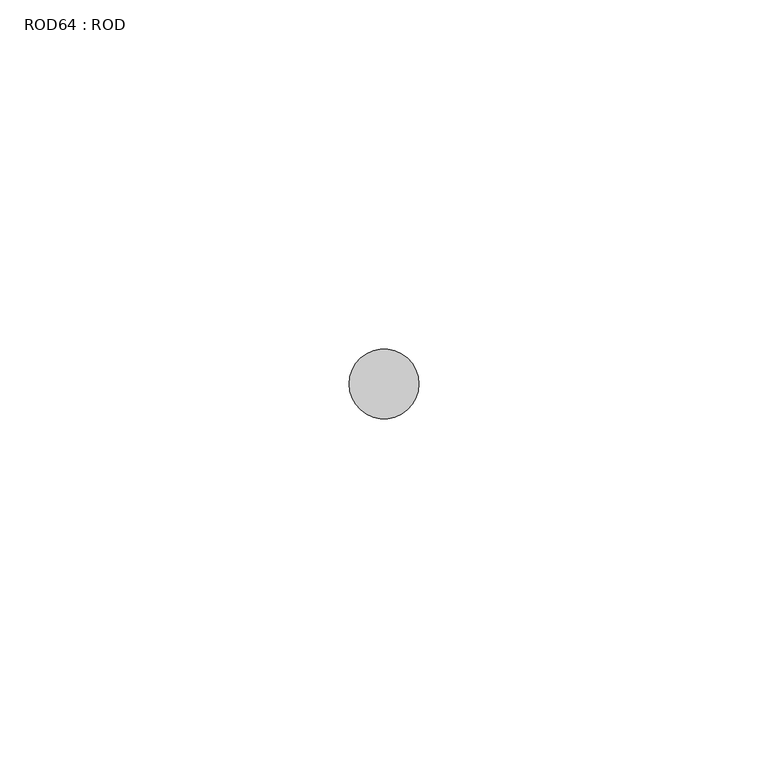
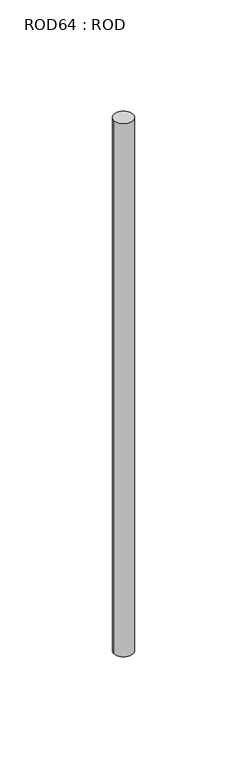
"""IFC4 building model written with IfcOpenShell, lengths in millimetres: proxy geometry, ROD64 : ROD."""

import ifcopenshell
import ifcopenshell.guid

model = None  # the IFC model being written
_history = None  # IfcOwnerHistory: only IFC2X3 demands one
_inside = {}  # id of a spatial element -> (the spatial element, [elements in it])
_under = {}  # id of a project, library or spatial element -> (it, [spatial elements below it])
_declared = {}  # id of a project -> (the project, [libraries it declares])
_typed = {}  # id of a type object -> (the type object, [elements of that type])
_made_of = {}  # id of a material, layer set ... -> (it, [elements and type objects made of it])


def new_model(schema):
    """Start an empty IFC model of exactly this schema.

    Asked for "IFC4X3", IfcOpenShell would pick the latest addendum, in which some entities
    have other attributes; the version numbers below select the first issue.
    IFC2X3 requires an IfcOwnerHistory on every rooted entity: one is made here for all.
    """
    global model, _history
    if schema == "IFC4X3":
        model = ifcopenshell.file(schema_version=(4, 3, 0, 0))
    else:
        model = ifcopenshell.file(schema=schema)
    _inside.clear()
    _under.clear()
    _declared.clear()
    _typed.clear()
    _made_of.clear()
    _history = None
    if model.schema == "IFC2X3":
        org = make("IfcOrganization", Name="unknown")
        user = make(
            "IfcPersonAndOrganization",
            ThePerson=make("IfcPerson", FamilyName="unknown"),
            TheOrganization=org,
        )
        app = make(
            "IfcApplication",
            ApplicationDeveloper=org,
            Version="unknown",
            ApplicationFullName="unknown",
            ApplicationIdentifier="unknown",
        )
        _history = make(
            "IfcOwnerHistory",
            OwningUser=user,
            OwningApplication=app,
            ChangeAction="ADDED",
            CreationDate=0,
        )
    return model


def make(cls, **values):
    """One entity of the class cls with the attributes given. An attribute that is None is left unset."""
    return model.create_entity(
        cls, **{name: value for name, value in values.items() if value is not None}
    )


def rooted(cls, **values):
    """An entity with a GlobalId (a new one), such as an element, a storey or a relation."""
    return make(cls, GlobalId=ifcopenshell.guid.new(), OwnerHistory=_history, **values)


def si_unit(unit_type, name, prefix=None):
    """IfcSIUnit, for example si_unit("LENGTHUNIT", "METRE", prefix="MILLI")."""
    return make("IfcSIUnit", UnitType=unit_type, Prefix=prefix, Name=name)


def assignment(units):
    """IfcUnitAssignment: the units of a project."""
    return None if units is None else make("IfcUnitAssignment", Units=units)


def point(xyz):
    """IfcCartesianPoint."""
    return None if xyz is None else make("IfcCartesianPoint", Coordinates=xyz)


def direction(xyz):
    """IfcDirection."""
    return None if xyz is None else make("IfcDirection", DirectionRatios=xyz)


def frame(location, z_axis=None, x_axis=None):
    """IfcAxis2Placement3D, a coordinate frame: its origin and axes. An axis left out is left unset."""
    return make(
        "IfcAxis2Placement3D",
        Location=point(location),
        Axis=direction(z_axis),
        RefDirection=direction(x_axis),
    )


def frame_2d(location, x_axis=None):
    """IfcAxis2Placement2D, a coordinate frame in the plane: its origin and x axis."""
    return make(
        "IfcAxis2Placement2D", Location=point(location), RefDirection=direction(x_axis)
    )


def origin():
    """The frame at (0, 0, 0) with its axes left unset."""
    return frame((0.0, 0.0, 0.0))


def place(relative_to, where):
    """IfcLocalPlacement: puts the frame where relative to a parent placement (None: the world)."""
    return make(
        "IfcLocalPlacement", PlacementRelTo=relative_to, RelativePlacement=where
    )


def context(
    kind, dimensions, precision=None, world=None, true_north=None, identifier=None
):
    """IfcGeometricRepresentationContext, for example the 3D "Model" context."""
    return make(
        "IfcGeometricRepresentationContext",
        ContextIdentifier=identifier,
        ContextType=kind,
        CoordinateSpaceDimension=dimensions,
        Precision=precision,
        WorldCoordinateSystem=world,
        TrueNorth=true_north,
    )


def project(units=None, contexts=None):
    """IfcProject with its units and contexts."""
    return rooted(
        "IfcProject",
        Name="project",
        RepresentationContexts=contexts,
        UnitsInContext=assignment(units),
    )


def spatial(cls, under=None, at=None, **own):
    """A site, building, storey or space (cls), placed at a placement, below another one or the project."""
    s = rooted(cls, ObjectPlacement=at, **own)
    if under is not None:
        _under.setdefault(under.id(), (under, []))[1].append(s)
    return s


def circle_curve(where, radius):
    """IfcCircle in the frame where."""
    return make("IfcCircle", Position=where, Radius=radius)


def trimmed(basis, trim1, trim2, sense, master):
    """IfcTrimmedCurve: the piece of a basis curve between two trims."""
    return make(
        "IfcTrimmedCurve",
        BasisCurve=basis,
        Trim1=trim1,
        Trim2=trim2,
        SenseAgreement=sense,
        MasterRepresentation=master,
    )


def segment(curve, same_sense, transition):
    """IfcCompositeCurveSegment."""
    return make(
        "IfcCompositeCurveSegment",
        Transition=transition,
        SameSense=same_sense,
        ParentCurve=curve,
    )


def composite_curve(segments, self_intersect=None):
    """IfcCompositeCurve: segments joined end to end."""
    return make("IfcCompositeCurve", Segments=segments, SelfIntersect=self_intersect)


def outline(outer, holes=None, kind="AREA"):
    """IfcArbitraryClosedProfileDef: a profile drawn as a closed curve; with holes, ...WithVoids."""
    if holes is None:
        return make("IfcArbitraryClosedProfileDef", ProfileType=kind, OuterCurve=outer)
    return make(
        "IfcArbitraryProfileDefWithVoids",
        ProfileType=kind,
        OuterCurve=outer,
        InnerCurves=holes,
    )


def extrude(swept, where, along, depth):
    """IfcExtrudedAreaSolid: the profile swept, set in the frame where, extruded along a direction by depth."""
    return make(
        "IfcExtrudedAreaSolid",
        SweptArea=swept,
        Position=where,
        ExtrudedDirection=direction(along),
        Depth=depth,
    )


def shape(context_of_items, identifier, shape_type, items):
    """IfcShapeRepresentation: the items that make up one representation, for example the "Body"."""
    return make(
        "IfcShapeRepresentation",
        ContextOfItems=context_of_items,
        RepresentationIdentifier=identifier,
        RepresentationType=shape_type,
        Items=items,
    )


def source(mapping_origin, context_of_items, identifier, shape_type, items):
    """IfcRepresentationMap: a shape defined once, which mapped items show again and again."""
    return make(
        "IfcRepresentationMap",
        MappingOrigin=mapping_origin,
        MappedRepresentation=shape(context_of_items, identifier, shape_type, items),
    )


def transform(
    local_origin,
    x_axis=None,
    y_axis=None,
    z_axis=None,
    scale=None,
    scale2=None,
    scale3=None,
    uniform=True,
):
    """IfcCartesianTransformationOperator3D, or its non-uniform kind. x_axis, y_axis, z_axis: its Axis1, 2, 3."""
    if uniform:
        return make(
            "IfcCartesianTransformationOperator3D",
            Axis1=direction(x_axis),
            Axis2=direction(y_axis),
            LocalOrigin=point(local_origin),
            Scale=scale,
            Axis3=direction(z_axis),
        )
    return make(
        "IfcCartesianTransformationOperator3DnonUniform",
        Axis1=direction(x_axis),
        Axis2=direction(y_axis),
        LocalOrigin=point(local_origin),
        Scale=scale,
        Axis3=direction(z_axis),
        Scale2=scale2,
        Scale3=scale3,
    )


def mapped(mapping_source, mapping_target):
    """IfcMappedItem: shows the shape of a source again, moved by a transform."""
    return make(
        "IfcMappedItem", MappingSource=mapping_source, MappingTarget=mapping_target
    )


def made_of(thing, what):
    """Note that an element or type object is made of a material, layer set ...; save() writes the relation."""
    if what is not None:
        _made_of.setdefault(what.id(), (what, []))[1].append(thing)
    return thing


def element(
    cls,
    number,
    at=None,
    inside=None,
    cuts=None,
    type_object=None,
    material=None,
    context=None,
    identifier="Body",
    shape_type=None,
    held_by="IfcProductDefinitionShape",
    body=None,
    shapes=None,
    **own,
):
    """One element of the class cls, such as IfcWall. Its Tag is "e" and its number.

    at: its placement. inside: the storey or other place that contains it. cuts: it is an
    opening in that element (IfcRelVoidsElement). A single representation is given by context,
    identifier, shape_type and body (its items); several are given by shapes. held_by: the class
    of the entity that holds the representations. save() writes the other relations.
    """
    e = rooted(cls, Tag="e%d" % number, ObjectPlacement=at, **own)
    if body is not None:
        shapes = [shape(context, identifier, shape_type, body)]
    if shapes is not None:
        e.Representation = make(held_by, Representations=shapes)
    if inside is not None:
        _inside.setdefault(inside.id(), (inside, []))[1].append(e)
    if cuts is not None:
        rooted(
            "IfcRelVoidsElement", RelatingBuildingElement=cuts, RelatedOpeningElement=e
        )
    if type_object is not None:
        _typed.setdefault(type_object.id(), (type_object, []))[1].append(e)
    return made_of(e, material)


def aggregate(whole, parts):
    """IfcRelAggregates: a whole, such as a stair, and the parts it consists of."""
    return rooted("IfcRelAggregates", RelatingObject=whole, RelatedObjects=parts)


def save(model, path):
    """Write the relations noted so far, then the file.

    IfcRelAggregates (storeys below a building ...), IfcRelContainedInSpatialStructure (elements
    in a storey), IfcRelDefinesByType, IfcRelAssociatesMaterial and IfcRelDeclares: one each for
    every whole, place, type object, material and project.
    """
    for whole, parts in _under.values():
        aggregate(whole, parts)
    for where, things in _inside.values():
        rooted(
            "IfcRelContainedInSpatialStructure",
            RelatedElements=things,
            RelatingStructure=where,
        )
    for kind, things in _typed.values():
        rooted("IfcRelDefinesByType", RelatedObjects=things, RelatingType=kind)
    for what, things in _made_of.values():
        rooted("IfcRelAssociatesMaterial", RelatedObjects=things, RelatingMaterial=what)
    for by, libraries in _declared.values():
        rooted("IfcRelDeclares", RelatingContext=by, RelatedDefinitions=libraries)
    model.write(path)


def rod64_rod_58de2188(model_context):
    return source(origin(), model_context, "Body", "SweptSolid", [
        extrude(outline(composite_curve([segment(trimmed(circle_curve(frame_2d((-4700.2326676, -10466.6028424)), 5.0), [point((-4705.2326676, -10466.6028424))], [point((-4695.2326676, -10466.6028424))], False, "CARTESIAN"), True, "CONTINUOUS"), segment(trimmed(circle_curve(frame_2d((-4700.2326676, -10466.6028424)), 5.0), [point((-4695.2326676, -10466.6028424))], [point((-4705.2326676, -10466.6028424))], False, "CARTESIAN"), True, "CONTINUOUS")], self_intersect=False)), frame((0.0, 0.0, -108.6608845), z_axis=(0.0, 0.0, 1.0), x_axis=(1.0, 0.0, 0.0)), (0.0, 0.0, 1.0), 298.9028972),
    ])


if __name__ == "__main__":
    model = new_model("IFC4")
    model_context = context("Model", 3, world=origin())
    ifc_project = project(units=[si_unit("LENGTHUNIT", "METRE", prefix="MILLI")], contexts=[model_context])
    site = spatial("IfcSite", under=ifc_project)
    building = spatial("IfcBuilding", under=site)
    placement = place(None, origin())
    rod64_rod_shape = rod64_rod_58de2188(model_context)
    element("IfcBuildingElementProxy", 1, Name="ROD64 : ROD", ObjectType="ROD64 : ROD", at=placement, inside=building, context=model_context, shape_type="MappedRepresentation", body=[
        mapped(rod64_rod_shape, transform((0.0, 0.0, 0.0), x_axis=(1.0, 0.0, 0.0), y_axis=(0.0, 1.0, 0.0), z_axis=(0.0, 0.0, 1.0))),
    ])
    save(model, "model.ifc")
